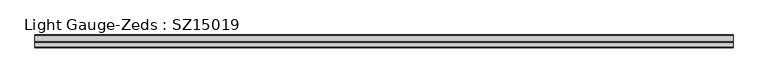
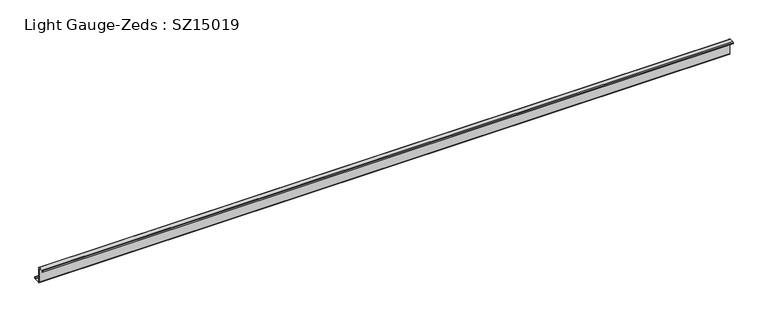
"""IFC4 building model written with IfcOpenShell, lengths in millimetres: beam geometry, Light Gauge-Zeds : SZ15019."""

from ifc_helpers import new_model, si_unit, point, frame, frame_2d, origin, place, context, project, spatial, polyline, circle_curve, trimmed, segment, composite_curve, outline, extrude, source, transform, mapped, element, save


def light_gauge_zeds_sz15019_20f91d48(model_context):
    return source(origin(), model_context, "Body", "SweptSolid", [
        extrude(outline(composite_curve([segment(polyline([(0.0, -72.1), (0.0, 72.1)]), True, "CONTINUOUS"), segment(trimmed(circle_curve(frame_2d((-2.0, 72.1)), 2.0), [point((0.0, 72.1))], [point((-2.0, 74.1))], True, "CARTESIAN"), True, "CONTINUOUS"), segment(polyline([(-2.0, 74.1), (-46.6, 74.1)]), True, "CONTINUOUS"), segment(trimmed(circle_curve(frame_2d((-46.6, 72.1)), 2.0), [point((-46.6, 74.1))], [point((-48.6, 72.1))], True, "CARTESIAN"), True, "CONTINUOUS"), segment(polyline([(-48.6, 72.1), (-48.6, 58.0), (-50.5, 58.0), (-50.5, 72.1)]), True, "CONTINUOUS"), segment(trimmed(circle_curve(frame_2d((-46.6, 72.1)), 3.9), [point((-50.5, 72.1))], [point((-46.6, 76.0))], False, "CARTESIAN"), True, "CONTINUOUS"), segment(polyline([(-46.6, 76.0), (-2.0, 76.0)]), True, "CONTINUOUS"), segment(trimmed(circle_curve(frame_2d((-2.0, 72.1)), 3.9), [point((-2.0, 76.0))], [point((1.9, 72.1))], False, "CARTESIAN"), True, "CONTINUOUS"), segment(polyline([(1.9, 72.1), (1.9, -72.1)]), True, "CONTINUOUS"), segment(trimmed(circle_curve(frame_2d((3.9, -72.1)), 2.0), [point((1.9, -72.1))], [point((3.9, -74.1))], True, "CARTESIAN"), True, "CONTINUOUS"), segment(polyline([(3.9, -74.1), (63.6, -74.1)]), True, "CONTINUOUS"), segment(trimmed(circle_curve(frame_2d((63.6, -72.1)), 2.0), [point((63.6, -74.1))], [point((65.6, -72.1))], True, "CARTESIAN"), True, "CONTINUOUS"), segment(polyline([(65.6, -72.1), (65.6, -57.0), (67.5, -57.0), (67.5, -72.1)]), True, "CONTINUOUS"), segment(trimmed(circle_curve(frame_2d((63.6, -72.1)), 3.9), [point((67.5, -72.1))], [point((63.6, -76.0))], False, "CARTESIAN"), True, "CONTINUOUS"), segment(polyline([(63.6, -76.0), (3.9, -76.0)]), True, "CONTINUOUS"), segment(trimmed(circle_curve(frame_2d((3.9, -72.1)), 3.9), [point((3.9, -76.0))], [point((0.0, -72.1))], False, "CARTESIAN"), True, "CONTINUOUS")], self_intersect=False)), frame((-3536.5, 0.0, 0.0), z_axis=(1.0, 0.0, 0.0), x_axis=(0.0, 1.0, 0.0)), (0.0, 0.0, 1.0), 6478.0),
    ])


if __name__ == "__main__":
    model = new_model("IFC4")
    model_context = context("Model", 3, world=origin())
    ifc_project = project(units=[si_unit("LENGTHUNIT", "METRE", prefix="MILLI")], contexts=[model_context])
    site = spatial("IfcSite", under=ifc_project)
    building = spatial("IfcBuilding", under=site)
    placement = place(None, origin())
    light_gauge_zeds_sz15019_shape = light_gauge_zeds_sz15019_20f91d48(model_context)
    element("IfcBeam", 1, ObjectType="Light Gauge-Zeds : SZ15019", at=placement, inside=building, context=model_context, shape_type="MappedRepresentation", body=[
        mapped(light_gauge_zeds_sz15019_shape, transform((0.0, 0.0, 0.0), x_axis=(1.0, 0.0, 0.0), y_axis=(0.0, 1.0, 0.0), z_axis=(0.0, 0.0, 1.0))),
    ])
    save(model, "model.ifc")
